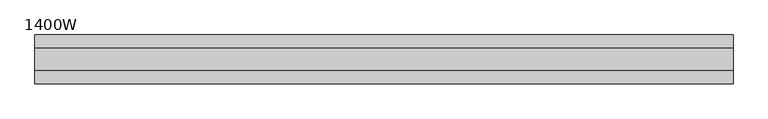
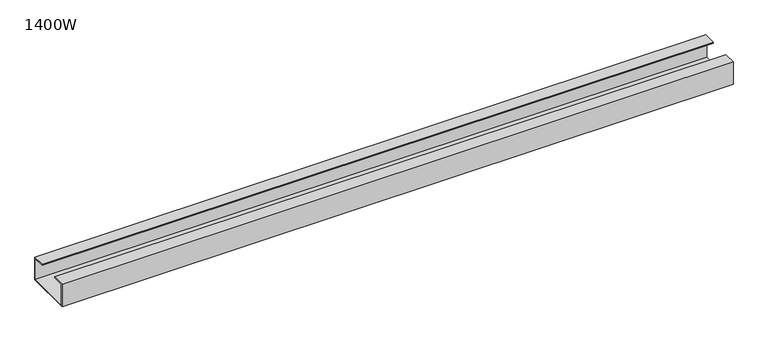
"""IFC4 building model written with IfcOpenShell, lengths in millimetres: furniture geometry, 1400W."""

from ifc_helpers import new_model, si_unit, frame, origin, place, context, project, spatial, polyline, outline, extrude, source, transform, mapped, element, save


def furniture_1400w_01940503(model_context):
    return source(origin(), model_context, "Body", "SweptSolid", [
        extrude(outline(polyline([(47.3, 667.0), (-47.3, 667.0), (-47.3, 715.0), (-22.0, 715.0), (-22.0, 713.0), (-45.3, 713.0), (-45.3, 669.0), (45.3, 669.0), (45.3, 713.0), (22.0, 713.0), (22.0, 715.0), (47.3, 715.0), (47.3, 667.0)])), frame((-675.0, 0.0, 0.0), z_axis=(1.0, 0.0, 0.0), x_axis=(0.0, 1.0, 0.0)), (0.0, 0.0, 1.0), 1350.0),
    ])


if __name__ == "__main__":
    model = new_model("IFC4")
    model_context = context("Model", 3, world=origin())
    ifc_project = project(units=[si_unit("LENGTHUNIT", "METRE", prefix="MILLI")], contexts=[model_context])
    site = spatial("IfcSite", under=ifc_project)
    building = spatial("IfcBuilding", under=site)
    placement = place(None, origin())
    furniture_1400w_shape = furniture_1400w_01940503(model_context)
    element("IfcFurniture", 1, ObjectType="1400W", at=placement, inside=building, context=model_context, shape_type="MappedRepresentation", body=[
        mapped(furniture_1400w_shape, transform((0.0, 0.0, 0.0), x_axis=(1.0, 0.0, 0.0), y_axis=(0.0, 1.0, 0.0), z_axis=(0.0, 0.0, 1.0))),
    ])
    save(model, "model.ifc")
